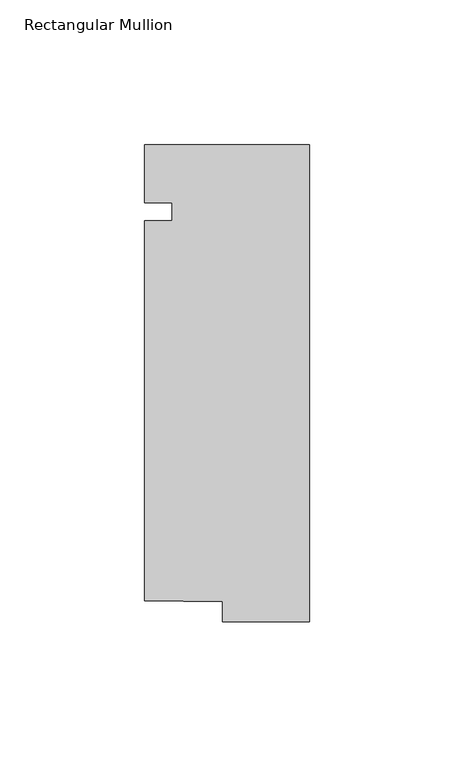
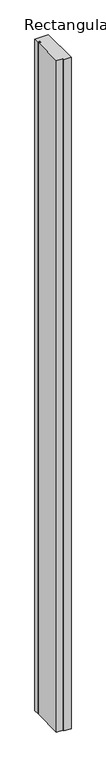
"""IFC4 building model written with IfcOpenShell, lengths in millimetres: member geometry, Rectangular Mullion."""

from ifc_helpers import new_model, si_unit, frame, origin, place, context, project, spatial, polyline, outline, extrude, source, transform, mapped, element, save


def rectangular_mullion_a176787a(model_context):
    return source(origin(), model_context, "Body", "SweptSolid", [
        extrude(outline(polyline([(-57.15, 20.0421875), (0.0, 20.0421875), (0.0, -145.0578125), (-30.1058007, -145.0578125), (-30.1058007, -138.1500349), (-57.15, -137.6601403), (-57.15, -6.35), (-47.625, -6.35), (-47.625, 0.0), (-57.15, 0.0), (-57.15, 20.0421875)])), frame((0.0, 0.0, -2997.2), z_axis=(0.0, 0.0, 1.0), x_axis=(1.0, 0.0, 0.0)), (0.0, 0.0, 1.0), 2997.2),
    ])


if __name__ == "__main__":
    model = new_model("IFC4")
    model_context = context("Model", 3, world=origin())
    ifc_project = project(units=[si_unit("LENGTHUNIT", "METRE", prefix="MILLI")], contexts=[model_context])
    site = spatial("IfcSite", under=ifc_project)
    building = spatial("IfcBuilding", under=site)
    placement = place(None, origin())
    rectangular_mullion_shape = rectangular_mullion_a176787a(model_context)
    element("IfcMember", 1, ObjectType="Rectangular Mullion", at=placement, inside=building, context=model_context, shape_type="MappedRepresentation", body=[
        mapped(rectangular_mullion_shape, transform((0.0, 0.0, 0.0), x_axis=(1.0, 0.0, 0.0), y_axis=(0.0, 1.0, 0.0), z_axis=(0.0, 0.0, 1.0))),
    ])
    save(model, "model.ifc")
